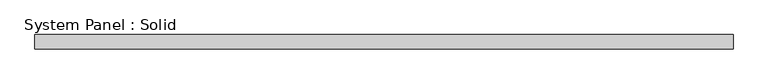
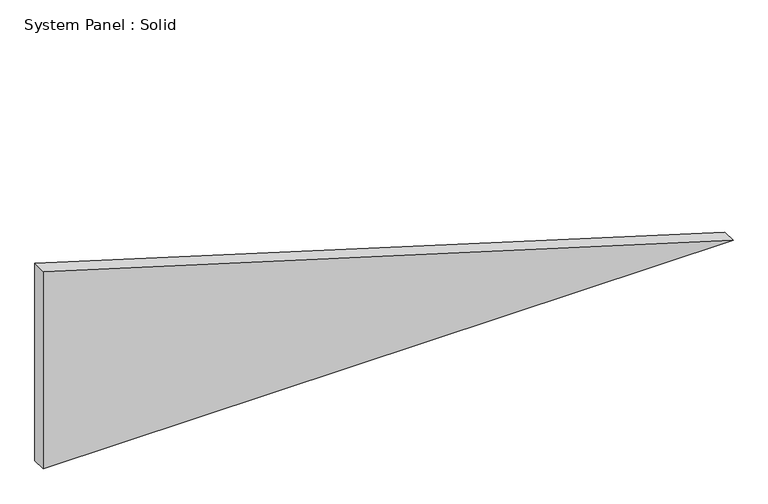
"""IFC4 building model written with IfcOpenShell, lengths in millimetres: plate geometry, System Panel : Solid."""

from ifc_helpers import new_model, si_unit, frame, origin, place, context, project, spatial, polyline, outline, extrude, source, transform, mapped, element, save


def system_panel_solid_eca6858d(model_context):
    return source(origin(), model_context, "Body", "SweptSolid", [
        extrude(outline(polyline([(0.0, -1452.794607), (0.0, 1452.794607), (878.6465181, -1452.794607), (0.0, -1452.794607)])), frame((0.0, -10.5, 0.0), z_axis=(0.0, 1.0, 0.0), x_axis=(0.0, 0.0, 1.0)), (0.0, 0.0, 1.0), 60.0),
    ])


if __name__ == "__main__":
    model = new_model("IFC4")
    model_context = context("Model", 3, world=origin())
    ifc_project = project(units=[si_unit("LENGTHUNIT", "METRE", prefix="MILLI")], contexts=[model_context])
    site = spatial("IfcSite", under=ifc_project)
    building = spatial("IfcBuilding", under=site)
    placement = place(None, origin())
    system_panel_solid_shape = system_panel_solid_eca6858d(model_context)
    element("IfcPlate", 1, ObjectType="System Panel : Solid", at=placement, inside=building, context=model_context, shape_type="MappedRepresentation", body=[
        mapped(system_panel_solid_shape, transform((0.0, 0.0, 0.0), x_axis=(1.0, 0.0, 0.0), y_axis=(0.0, 1.0, 0.0), z_axis=(0.0, 0.0, 1.0))),
    ])
    save(model, "model.ifc")
